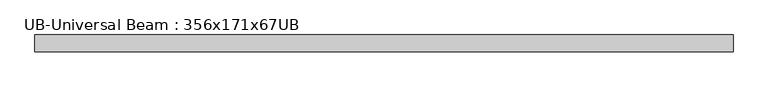
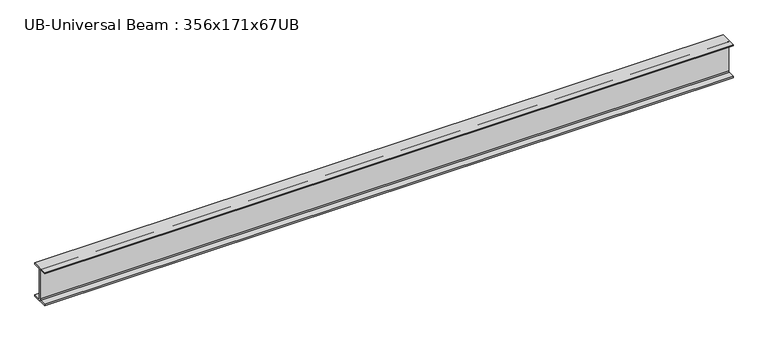
"""IFC4 building model written with IfcOpenShell, lengths in millimetres: beam geometry, UB-Universal Beam : 356x171x67UB."""

from ifc_helpers import new_model, si_unit, point, frame, frame_2d, origin, place, context, project, spatial, polyline, circle_curve, trimmed, segment, composite_curve, outline, extrude, source, transform, mapped, element, save


def ub_universal_beam_356x171x67ub_206e2119(model_context):
    return source(origin(), model_context, "Body", "SweptSolid", [
        extrude(outline(composite_curve([segment(polyline([(86.6, -166.0), (86.6, -181.7), (-86.6, -181.7), (-86.6, -166.0), (-14.75, -166.0)]), True, "CONTINUOUS"), segment(trimmed(circle_curve(frame_2d((-14.75, -155.8)), 10.2), [point((-14.75, -166.0))], [point((-4.55, -155.8))], True, "CARTESIAN"), True, "CONTINUOUS"), segment(polyline([(-4.55, -155.8), (-4.55, 155.8)]), True, "CONTINUOUS"), segment(trimmed(circle_curve(frame_2d((-14.75, 155.8)), 10.2), [point((-4.55, 155.8))], [point((-14.75, 166.0))], True, "CARTESIAN"), True, "CONTINUOUS"), segment(polyline([(-14.75, 166.0), (-86.6, 166.0), (-86.6, 181.7), (86.6, 181.7), (86.6, 166.0), (14.75, 166.0)]), True, "CONTINUOUS"), segment(trimmed(circle_curve(frame_2d((14.75, 155.8)), 10.2), [point((14.75, 166.0))], [point((4.55, 155.8))], True, "CARTESIAN"), True, "CONTINUOUS"), segment(polyline([(4.55, 155.8), (4.55, -155.8)]), True, "CONTINUOUS"), segment(trimmed(circle_curve(frame_2d((14.75, -155.8)), 10.2), [point((4.55, -155.8))], [point((14.75, -166.0))], True, "CARTESIAN"), True, "CONTINUOUS"), segment(polyline([(14.75, -166.0), (86.6, -166.0)]), True, "CONTINUOUS")], self_intersect=False)), frame((-3555.3, 0.0, 0.0), z_axis=(1.0, 0.0, 0.0), x_axis=(0.0, 1.0, 0.0)), (0.0, 0.0, 1.0), 7110.6),
    ])


if __name__ == "__main__":
    model = new_model("IFC4")
    model_context = context("Model", 3, world=origin())
    ifc_project = project(units=[si_unit("LENGTHUNIT", "METRE", prefix="MILLI")], contexts=[model_context])
    site = spatial("IfcSite", under=ifc_project)
    building = spatial("IfcBuilding", under=site)
    placement = place(None, origin())
    ub_universal_beam_356x171x67ub_shape = ub_universal_beam_356x171x67ub_206e2119(model_context)
    element("IfcBeam", 1, ObjectType="UB-Universal Beam : 356x171x67UB", at=placement, inside=building, context=model_context, shape_type="MappedRepresentation", body=[
        mapped(ub_universal_beam_356x171x67ub_shape, transform((0.0, 0.0, 0.0), x_axis=(1.0, 0.0, 0.0), y_axis=(0.0, 1.0, 0.0), z_axis=(0.0, 0.0, 1.0))),
    ])
    save(model, "model.ifc")
